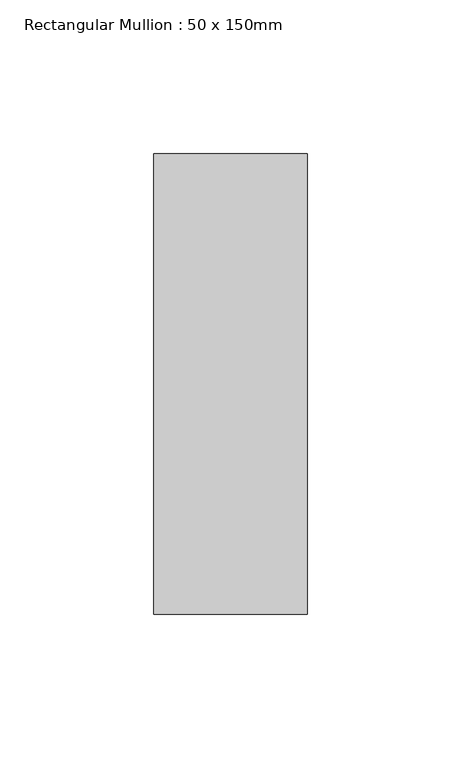
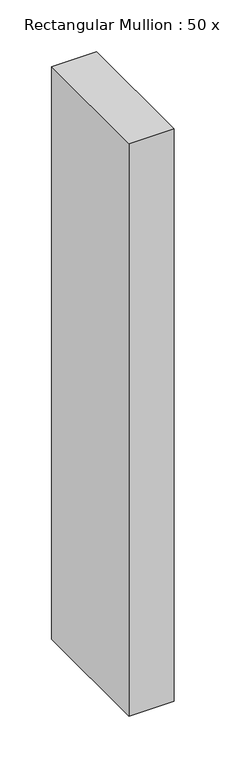
"""IFC4 building model written with IfcOpenShell, lengths in millimetres: member geometry, Rectangular Mullion : 50 x 150mm."""

from ifc_helpers import new_model, si_unit, frame, origin, place, context, project, spatial, polyline, outline, extrude, source, transform, mapped, element, save


def rectangular_mullion_50_x_150mm_dbb82e9e(model_context):
    return source(origin(), model_context, "Body", "SweptSolid", [
        extrude(outline(polyline([(0.0, 75.0), (0.0, -75.0), (-50.0, -75.0), (-50.0, 75.0), (0.0, 75.0)])), frame((0.0, 0.0, -675.0), z_axis=(0.0, 0.0, 1.0), x_axis=(1.0, 0.0, 0.0)), (0.0, 0.0, 1.0), 675.0),
    ])


if __name__ == "__main__":
    model = new_model("IFC4")
    model_context = context("Model", 3, world=origin())
    ifc_project = project(units=[si_unit("LENGTHUNIT", "METRE", prefix="MILLI")], contexts=[model_context])
    site = spatial("IfcSite", under=ifc_project)
    building = spatial("IfcBuilding", under=site)
    placement = place(None, origin())
    rectangular_mullion_50_x_150mm_shape = rectangular_mullion_50_x_150mm_dbb82e9e(model_context)
    element("IfcMember", 1, ObjectType="Rectangular Mullion : 50 x 150mm", at=placement, inside=building, context=model_context, shape_type="MappedRepresentation", body=[
        mapped(rectangular_mullion_50_x_150mm_shape, transform((0.0, 0.0, 0.0), x_axis=(1.0, 0.0, 0.0), y_axis=(0.0, 1.0, 0.0), z_axis=(0.0, 0.0, 1.0))),
    ])
    save(model, "model.ifc")
